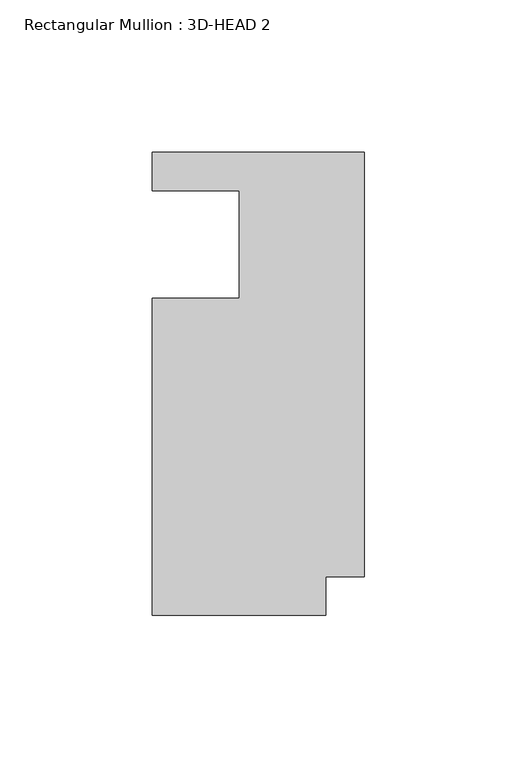
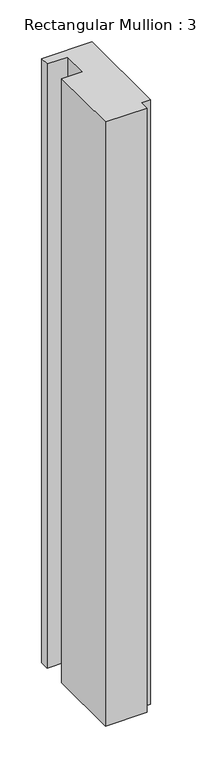
"""IFC4 building model written with IfcOpenShell, lengths in millimetres: member geometry, Rectangular Mullion : 3D-HEAD 2."""

from ifc_helpers import new_model, si_unit, frame, origin, place, context, project, spatial, polyline, outline, extrude, source, transform, mapped, element, save


def rectangular_mullion_3d_head_2_08494465(model_context):
    return source(origin(), model_context, "Body", "SweptSolid", [
        extrude(outline(polyline([(0.0, 76.2), (0.0, -63.4365), (-12.7, -63.4365), (-12.7, -76.2), (-69.85, -76.2), (-69.85, 28.0416), (-41.2496, 28.0416), (-41.2496, 63.5), (-69.85, 63.5), (-69.85, 76.2), (0.0, 76.2)])), frame((0.0, 0.0, -881.3783959), z_axis=(0.0, 0.0, 1.0), x_axis=(1.0, 0.0, 0.0)), (0.0, 0.0, 1.0), 881.3783959),
    ])


if __name__ == "__main__":
    model = new_model("IFC4")
    model_context = context("Model", 3, world=origin())
    ifc_project = project(units=[si_unit("LENGTHUNIT", "METRE", prefix="MILLI")], contexts=[model_context])
    site = spatial("IfcSite", under=ifc_project)
    building = spatial("IfcBuilding", under=site)
    placement = place(None, origin())
    rectangular_mullion_3d_head_2_shape = rectangular_mullion_3d_head_2_08494465(model_context)
    element("IfcMember", 1, ObjectType="Rectangular Mullion : 3D-HEAD 2", at=placement, inside=building, context=model_context, shape_type="MappedRepresentation", body=[
        mapped(rectangular_mullion_3d_head_2_shape, transform((0.0, 0.0, 0.0), x_axis=(1.0, 0.0, 0.0), y_axis=(0.0, 1.0, 0.0), z_axis=(0.0, 0.0, 1.0))),
    ])
    save(model, "model.ifc")
